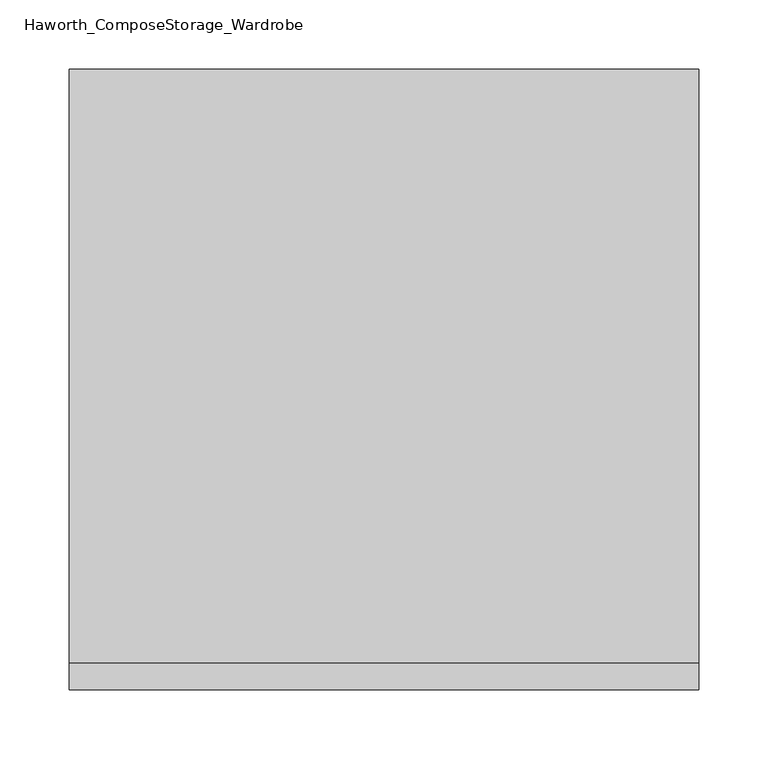
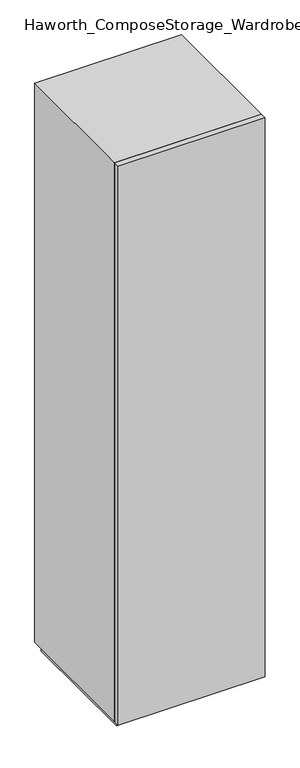
"""IFC4 building model written with IfcOpenShell, lengths in millimetres: furniture geometry, Haworth_ComposeStorage_Wardrobe."""

from ifc_helpers import new_model, si_unit, frame, origin, origin_with_axes, place, context, project, spatial, polyline, outline, extrude, faceted_brep, source, transform, mapped, element, save


def haworth_composestorage_wardrobe_6594d3d4(model_context):
    return source(origin(), model_context, "Body", "SolidModel", [
        extrude(outline(polyline([(227.0263906, -233.3625), (-226.9986094, -233.3625), (-226.9986094, -214.3125), (227.0263906, -214.3125), (227.0263906, -233.3625)])), frame((0.0, 0.0, 25.4), z_axis=(0.0, 0.0, 1.0), x_axis=(1.0, 0.0, 0.0)), (0.0, 0.0, 1.0), 1828.8),
        faceted_brep([(-226.9986094, -214.3125, 25.4), (227.0263906, -214.3125, 25.4), (227.0263906, -214.3125, 1854.2), (-226.9986094, -214.3125, 1854.2), (-207.9486094, -214.3125, 44.45), (-207.9486094, -214.3125, 1835.15), (207.9486094, -214.3125, 1835.15), (207.9486094, -214.3125, 44.45), (-226.9986094, 214.3125, 25.4), (-226.9986094, 214.3125, 1854.2), (227.0263906, 214.3125, 1854.2), (227.0263906, 214.3125, 25.4), (-207.9486094, 195.2625, 44.45), (-207.9486094, 195.2625, 1835.15), (207.9486094, 195.2625, 1835.15), (207.9486094, 195.2625, 44.45)], [[[0, 1, 2, 3], [4, 5, 6, 7]], [[8, 9, 10, 11]], [[1, 0, 8, 11]], [[2, 1, 11, 10]], [[3, 2, 10, 9]], [[0, 3, 9, 8]], [[5, 4, 12, 13]], [[6, 5, 13, 14]], [[7, 6, 14, 15]], [[4, 7, 15, 12]], [[13, 12, 15, 14]]]),
        extrude(outline(polyline([(214.3263906, -201.6125), (-214.2986094, -201.6125), (-214.2986094, 201.6125), (214.3263906, 201.6125), (214.3263906, -201.6125)])), origin_with_axes(), (0.0, 0.0, 1.0), 25.4),
    ])


if __name__ == "__main__":
    model = new_model("IFC4")
    model_context = context("Model", 3, world=origin())
    ifc_project = project(units=[si_unit("LENGTHUNIT", "METRE", prefix="MILLI")], contexts=[model_context])
    site = spatial("IfcSite", under=ifc_project)
    building = spatial("IfcBuilding", under=site)
    placement = place(None, origin())
    haworth_composestorage_wardrobe_shape = haworth_composestorage_wardrobe_6594d3d4(model_context)
    element("IfcFurniture", 1, ObjectType="Haworth_ComposeStorage_Wardrobe", at=placement, inside=building, context=model_context, shape_type="MappedRepresentation", body=[
        mapped(haworth_composestorage_wardrobe_shape, transform((0.0, 0.0, 0.0), x_axis=(1.0, 0.0, 0.0), y_axis=(0.0, 1.0, 0.0), z_axis=(0.0, 0.0, 1.0))),
    ])
    save(model, "model.ifc")
